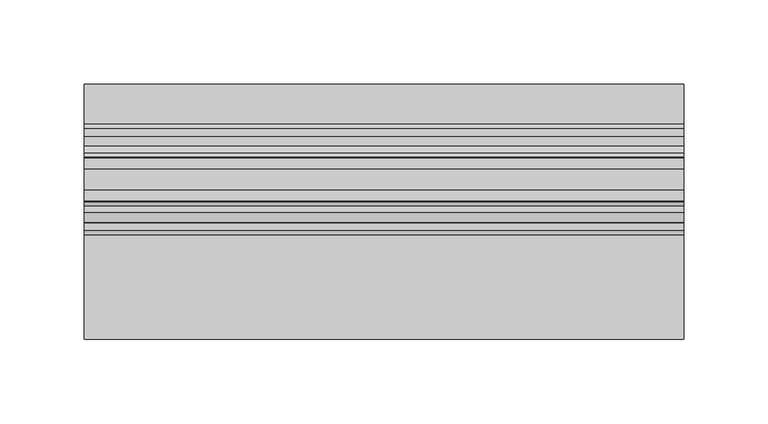
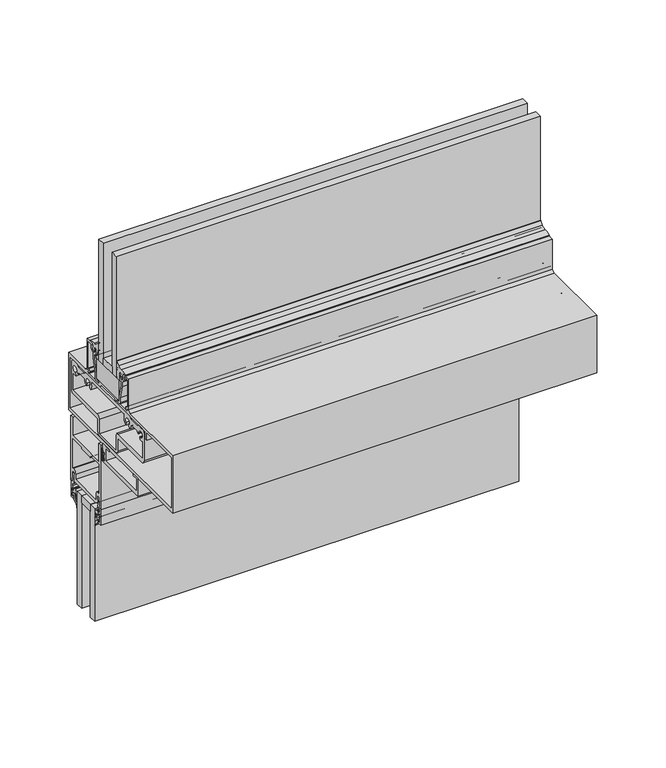
"""IFC4 building model written with IfcOpenShell, lengths in millimetres: plate geometry."""

from ifc_helpers import new_model, si_unit, point, frame, frame_2d, origin, place, context, project, spatial, polyline, circle_curve, trimmed, segment, composite_curve, outline, extrude, source, transform, mapped, element, save


def plate_338a5351(model_context):
    return source(origin(), model_context, "Body", "SweptSolid", [
        extrude(outline(polyline([(-177.8, -19.05), (-177.8, -6.35), (177.8, -6.35), (177.8, -19.05), (-177.8, -19.05)])), frame((0.0, 0.0, 228.2472153), z_axis=(0.0, 0.0, 1.0), x_axis=(1.0, 0.0, 0.0)), (0.0, 0.0, 1.0), 6.35),
        extrude(outline(polyline([(-28.55976, 352.0722153), (-60.42152, 352.0722153), (-60.30976, 369.5347153), (-28.55976, 369.5347153), (-28.55976, 352.0722153)])), frame((-177.8, 0.0, 0.0), z_axis=(1.0, 0.0, 0.0), x_axis=(0.0, 1.0, 0.0)), (0.0, 0.0, 1.0), 355.6),
        extrude(outline(composite_curve([segment(polyline([(-34.9514484, 293.1066499), (-34.9514484, 285.1817967)]), True, "CONTINUOUS"), segment(trimmed(circle_curve(frame_2d((-36.1452484, 285.1817967)), 1.1938), [point((-34.9514484, 285.1817967))], [point((-37.3390484, 285.1817967))], False, "CARTESIAN"), True, "CONTINUOUS"), segment(polyline([(-37.3390484, 285.1817967), (-37.3390484, 287.1879153), (-38.31675, 287.1879153), (-38.31675, 285.7147153), (-39.2186484, 285.7147153), (-39.2186484, 287.5689153), (-37.7962484, 287.5689153), (-37.7962484, 290.7185153), (-39.2186484, 290.7185153), (-39.2186484, 292.5727153), (-38.31675, 292.5727153), (-38.31675, 291.0995153), (-37.3390484, 291.0995153), (-37.3390484, 293.1066499)]), True, "CONTINUOUS"), segment(trimmed(circle_curve(frame_2d((-36.1452484, 293.1066499)), 1.1938), [point((-37.3390484, 293.1066499))], [point((-34.9514484, 293.1066499))], False, "CARTESIAN"), True, "CONTINUOUS")], self_intersect=False), holes=[composite_curve([segment(trimmed(circle_curve(frame_2d((-36.1452484, 293.1066499)), 0.6858), [point((-35.4594484, 293.1066499))], [point((-36.8310484, 293.1066499))], True, "CARTESIAN"), True, "CONTINUOUS"), segment(polyline([(-36.8310484, 293.1066499), (-36.8310484, 285.1817967)]), True, "CONTINUOUS"), segment(trimmed(circle_curve(frame_2d((-36.1452484, 285.1817967)), 0.6858), [point((-36.8310484, 285.1817967))], [point((-35.4594484, 285.1817967))], True, "CARTESIAN"), True, "CONTINUOUS"), segment(polyline([(-35.4594484, 285.1817967), (-35.4594484, 293.1066499)]), True, "CONTINUOUS")], self_intersect=False)]), frame((-177.8, 0.0, 0.0), z_axis=(1.0, 0.0, 0.0), x_axis=(0.0, 1.0, 0.0)), (0.0, 0.0, 1.0), 355.6),
        extrude(outline(polyline([(-177.8, -50.78476), (-177.8, -38.08476), (177.8, -38.08476), (177.8, -50.78476), (-177.8, -50.78476)])), frame((0.0, 0.0, 369.5347153), z_axis=(0.0, 0.0, 1.0), x_axis=(1.0, 0.0, 0.0)), (0.0, 0.0, 1.0), 6.35),
        extrude(outline(polyline([(-177.8, -38.08476), (-177.8, -31.73476), (177.8, -31.73476), (177.8, -38.08476), (-177.8, -38.08476)])), frame((0.0, 0.0, 369.5347153), z_axis=(0.0, 0.0, 1.0), x_axis=(1.0, 0.0, 0.0)), (0.0, 0.0, 1.0), 107.95),
        extrude(outline(polyline([(-177.8, -57.13476), (-177.8, -50.78476), (177.8, -50.78476), (177.8, -57.13476), (-177.8, -57.13476)])), frame((0.0, 0.0, 369.5347153), z_axis=(0.0, 0.0, 1.0), x_axis=(1.0, 0.0, 0.0)), (0.0, 0.0, 1.0), 107.95),
        extrude(outline(composite_curve([segment(trimmed(circle_curve(frame_2d((-26.53284, 376.8225309)), 0.508), [point((-27.04084, 376.8225309))], [point((-26.53284, 377.3305309))], False, "CARTESIAN"), True, "CONTINUOUS"), segment(polyline([(-26.53284, 377.3305309), (-25.28824, 377.3305309), (-25.28824, 376.5177309), (-26.0744494, 376.5177309), (-26.0744494, 375.7170136), (-25.366918, 372.4938153), (-23.89124, 372.4938153), (-22.01164, 374.3663756), (-22.01164, 376.4562153), (-22.9245776, 376.4562153), (-22.0094079, 379.0597153), (-14.34084, 379.0597153), (-14.34084, 352.0737406), (-16.8499731, 352.0737406), (-16.0527957, 350.6967979), (-16.7337794, 350.0158142)]), True, "CONTINUOUS"), segment(trimmed(circle_curve(frame_2d((-17.0908829, 350.3771189)), 0.508), [point((-16.7337794, 350.0158142))], [point((-17.5681526, 350.2031143))], False, "CARTESIAN"), True, "CONTINUOUS"), segment(polyline([(-17.5681526, 350.2031143), (-18.0039712, 351.3985022)]), True, "CONTINUOUS"), segment(trimmed(circle_curve(frame_2d((-16.6437524, 351.8944153)), 1.4478), [point((-18.0039712, 351.3985022))], [point((-16.6437524, 353.3422153))], False, "CARTESIAN"), True, "CONTINUOUS"), segment(polyline([(-16.6437524, 353.3422153), (-15.61084, 353.3422153), (-15.61084, 377.7897153), (-20.10664, 377.7897153)]), True, "CONTINUOUS"), segment(trimmed(circle_curve(frame_2d((-20.10664, 377.1547153)), 0.635), [point((-20.10664, 377.7897153))], [point((-20.74164, 377.1547153))], True, "CARTESIAN"), True, "CONTINUOUS"), segment(polyline([(-20.74164, 377.1547153), (-20.74164, 374.6354421)]), True, "CONTINUOUS"), segment(trimmed(circle_curve(frame_2d((-22.64664, 374.6354421)), 1.905), [point((-20.74164, 374.6354421))], [point((-21.2996016, 373.2884037))], False, "CARTESIAN"), True, "CONTINUOUS"), segment(polyline([(-21.2996016, 373.2884037), (-23.2309035, 371.3571018), (-23.2309035, 367.2949535), (-26.4249535, 355.5538035), (-26.4249535, 350.8784153)]), True, "CONTINUOUS"), segment(trimmed(circle_curve(frame_2d((-27.6949535, 350.8784153)), 1.27), [point((-26.4249535, 350.8784153))], [point((-27.6949535, 349.6084153))], False, "CARTESIAN"), True, "CONTINUOUS"), segment(polyline([(-27.6949535, 349.6084153), (-30.8636035, 349.6084153)]), True, "CONTINUOUS"), segment(trimmed(circle_curve(frame_2d((-30.8636035, 349.9894153)), 0.381), [point((-30.8636035, 349.6084153))], [point((-30.9828618, 350.3512695))], False, "CARTESIAN"), True, "CONTINUOUS"), segment(polyline([(-30.9828618, 350.3512695), (-27.6949535, 351.2340153), (-27.6949535, 355.7234653), (-24.5009035, 367.4646153), (-24.5009035, 371.4754927), (-26.07564, 371.4754927), (-26.07564, 370.6650153)]), True, "CONTINUOUS"), segment(trimmed(circle_curve(frame_2d((-26.07564, 371.6302153)), 0.9652), [point((-26.07564, 370.6650153))], [point((-27.04084, 371.6302153))], False, "CARTESIAN"), True, "CONTINUOUS"), segment(polyline([(-27.04084, 371.6302153), (-27.04084, 376.8225309)]), True, "CONTINUOUS")], self_intersect=False)), frame((-177.8, 0.0, 0.0), z_axis=(1.0, 0.0, 0.0), x_axis=(0.0, 1.0, 0.0)), (0.0, 0.0, 1.0), 355.6),
        extrude(outline(composite_curve([segment(polyline([(-61.8998, 376.8225309), (-61.8998, 371.6302153)]), True, "CONTINUOUS"), segment(trimmed(circle_curve(frame_2d((-62.865, 371.6302153)), 0.9652), [point((-61.8998, 371.6302153))], [point((-62.865, 370.6650153))], False, "CARTESIAN"), True, "CONTINUOUS"), segment(polyline([(-62.865, 370.6650153), (-62.865, 371.4754927), (-64.4397365, 371.4754927), (-64.4397365, 367.4646153), (-61.2456865, 355.7234653), (-61.2456865, 351.2340153), (-57.9577782, 350.3512695)]), True, "CONTINUOUS"), segment(trimmed(circle_curve(frame_2d((-58.0770365, 349.9894153)), 0.381), [point((-57.9577782, 350.3512695))], [point((-58.0770365, 349.6084153))], False, "CARTESIAN"), True, "CONTINUOUS"), segment(polyline([(-58.0770365, 349.6084153), (-61.2456865, 349.6084153)]), True, "CONTINUOUS"), segment(trimmed(circle_curve(frame_2d((-61.2456865, 350.8784153)), 1.27), [point((-61.2456865, 349.6084153))], [point((-62.5156865, 350.8784153))], False, "CARTESIAN"), True, "CONTINUOUS"), segment(polyline([(-62.5156865, 350.8784153), (-62.5156865, 355.5538035), (-65.7097365, 367.2949535), (-65.7097365, 371.3571018), (-67.6410384, 373.2884037)]), True, "CONTINUOUS"), segment(trimmed(circle_curve(frame_2d((-66.294, 374.6354421)), 1.905), [point((-67.6410384, 373.2884037))], [point((-68.199, 374.6354421))], False, "CARTESIAN"), True, "CONTINUOUS"), segment(polyline([(-68.199, 374.6354421), (-68.199, 377.1547153)]), True, "CONTINUOUS"), segment(trimmed(circle_curve(frame_2d((-68.834, 377.1547153)), 0.635), [point((-68.199, 377.1547153))], [point((-68.834, 377.7897153))], True, "CARTESIAN"), True, "CONTINUOUS"), segment(polyline([(-68.834, 377.7897153), (-73.3298, 377.7897153), (-73.3298, 353.3422153), (-72.2968876, 353.3422153)]), True, "CONTINUOUS"), segment(trimmed(circle_curve(frame_2d((-72.2968876, 351.8944153)), 1.4478), [point((-72.2968876, 353.3422153))], [point((-70.9366688, 351.3985022))], False, "CARTESIAN"), True, "CONTINUOUS"), segment(polyline([(-70.9366688, 351.3985022), (-71.3724874, 350.2031143)]), True, "CONTINUOUS"), segment(trimmed(circle_curve(frame_2d((-71.8497571, 350.3771189)), 0.508), [point((-71.3724874, 350.2031143))], [point((-72.2068606, 350.0158142))], False, "CARTESIAN"), True, "CONTINUOUS"), segment(polyline([(-72.2068606, 350.0158142), (-72.8878443, 350.6967979), (-72.0906669, 352.0737406), (-74.5998, 352.0737406), (-74.5998, 379.0597153), (-66.9312321, 379.0597153), (-66.0160624, 376.4562153), (-66.929, 376.4562153), (-66.929, 374.3663756), (-65.0494, 372.4938153), (-63.573722, 372.4938153), (-62.8661906, 375.7170136), (-62.8661906, 376.5177309), (-63.6524, 376.5177309), (-63.6524, 377.3305309), (-62.4078, 377.3305309)]), True, "CONTINUOUS"), segment(trimmed(circle_curve(frame_2d((-62.4078, 376.8225309)), 0.508), [point((-62.4078, 377.3305309))], [point((-61.8998, 376.8225309))], False, "CARTESIAN"), True, "CONTINUOUS")], self_intersect=False)), frame((-177.8, 0.0, 0.0), z_axis=(1.0, 0.0, 0.0), x_axis=(0.0, 1.0, 0.0)), (0.0, 0.0, 1.0), 355.6),
        extrude(outline(composite_curve([segment(trimmed(circle_curve(frame_2d((-41.3231693, 374.5867579)), 11.8511576), [point((-29.7708477, 377.2313378))], [point((-30.3269833, 379.0064672))], True, "CARTESIAN"), True, "CONTINUOUS"), segment(polyline([(-30.3269833, 379.0064672), (-31.3049643, 380.528582)]), True, "CONTINUOUS"), segment(trimmed(circle_curve(frame_2d((-29.6975601, 381.7608857)), 2.0254186), [point((-31.3049643, 380.528582))], [point((-31.7203248, 381.6572349))], False, "CARTESIAN"), True, "CONTINUOUS"), segment(polyline([(-31.7203248, 381.6572349), (-31.7604501, 384.9398531)]), True, "CONTINUOUS"), segment(trimmed(circle_curve(frame_2d((-31.3635751, 384.9398531)), 0.396875), [point((-31.7604501, 384.9398531))], [point((-31.1017191, 385.2380832))], False, "CARTESIAN"), True, "CONTINUOUS"), segment(polyline([(-31.1017191, 385.2380832), (-28.6746142, 382.4201915)]), True, "CONTINUOUS"), segment(trimmed(circle_curve(frame_2d((-25.3990316, 385.8820309)), 4.765897), [point((-28.6746142, 382.4201915))], [point((-24.773541, 381.1573579))], True, "CARTESIAN"), True, "CONTINUOUS"), segment(trimmed(circle_curve(frame_2d((-24.3996105, 368.9668204)), 12.196271), [point((-24.773541, 381.1573579))], [point((-18.8809594, 379.8431028))], False, "CARTESIAN"), True, "CONTINUOUS"), segment(polyline([(-18.8809594, 379.8431028), (-18.6246596, 379.0554604), (-20.5437533, 379.1311821), (-22.168156, 379.0012681), (-23.0295405, 376.2948547), (-22.2436855, 376.1701754), (-23.1142597, 375.1755258), (-22.3637178, 374.9366468), (-23.8643895, 373.1755062), (-25.4974971, 374.6122187), (-24.7156286, 375.1533533), (-25.5440369, 376.0998275), (-24.5686701, 376.2217125), (-25.1259663, 377.5835919), (-26.988974, 377.5835919), (-26.988974, 375.1527405)]), True, "CONTINUOUS"), segment(trimmed(circle_curve(frame_2d((-44.4519506, 376.4603355)), 17.5118633), [point((-26.988974, 375.1527405))], [point((-28.0362785, 370.3618876))], False, "CARTESIAN"), True, "CONTINUOUS"), segment(trimmed(circle_curve(frame_2d((-29.3394094, 370.8573418)), 1.3941395), [point((-28.0362785, 370.3618876))], [point((-30.6425403, 370.3618876))], False, "CARTESIAN"), True, "CONTINUOUS"), segment(trimmed(circle_curve(frame_2d((-12.6037128, 376.9366907)), 19.1996701), [point((-30.6425403, 370.3618876))], [point((-31.7203248, 375.1527405))], False, "CARTESIAN"), True, "CONTINUOUS"), segment(polyline([(-31.7203248, 375.1527405), (-31.7203248, 378.5625793)]), True, "CONTINUOUS"), segment(trimmed(circle_curve(frame_2d((-31.3978395, 378.5509624)), 0.3226944), [point((-31.7203248, 378.5625793))], [point((-31.0890698, 378.4571917))], False, "CARTESIAN"), True, "CONTINUOUS"), segment(polyline([(-31.0890698, 378.4571917), (-30.0112297, 374.4176171)]), True, "CONTINUOUS"), segment(trimmed(circle_curve(frame_2d((-29.7171669, 374.5499125)), 0.3224516), [point((-30.0112297, 374.4176171))], [point((-29.3978944, 374.5950802))], True, "CARTESIAN"), True, "CONTINUOUS"), segment(polyline([(-29.3978944, 374.5950802), (-29.7708477, 377.2313378)]), True, "CONTINUOUS")], self_intersect=False)), frame((-177.8, 0.0, 0.0), z_axis=(1.0, 0.0, 0.0), x_axis=(0.0, 1.0, 0.0)), (0.0, 0.0, 1.0), 355.6),
        extrude(outline(composite_curve([segment(polyline([(-59.1575003, 377.2313378), (-59.5304536, 374.5950802)]), True, "CONTINUOUS"), segment(trimmed(circle_curve(frame_2d((-59.2111811, 374.5499125)), 0.3224516), [point((-59.5304536, 374.5950802))], [point((-58.9171182, 374.4176171))], True, "CARTESIAN"), True, "CONTINUOUS"), segment(polyline([(-58.9171182, 374.4176171), (-57.8392782, 378.4571917)]), True, "CONTINUOUS"), segment(trimmed(circle_curve(frame_2d((-57.5305084, 378.5509624)), 0.3226944), [point((-57.8392782, 378.4571917))], [point((-57.2080232, 378.5625793))], False, "CARTESIAN"), True, "CONTINUOUS"), segment(polyline([(-57.2080232, 378.5625793), (-57.2080232, 375.1527405)]), True, "CONTINUOUS"), segment(trimmed(circle_curve(frame_2d((-76.3246351, 376.9366907)), 19.1996701), [point((-57.2080232, 375.1527405))], [point((-58.2858077, 370.3618876))], False, "CARTESIAN"), True, "CONTINUOUS"), segment(trimmed(circle_curve(frame_2d((-59.5889386, 370.8573418)), 1.3941395), [point((-58.2858077, 370.3618876))], [point((-60.8920694, 370.3618876))], False, "CARTESIAN"), True, "CONTINUOUS"), segment(trimmed(circle_curve(frame_2d((-44.4763974, 376.4603355)), 17.5118633), [point((-60.8920694, 370.3618876))], [point((-61.939374, 375.1527405))], False, "CARTESIAN"), True, "CONTINUOUS"), segment(polyline([(-61.939374, 375.1527405), (-61.939374, 377.5835919), (-63.8023816, 377.5835919), (-64.3596778, 376.2217125), (-63.3843111, 376.0998275), (-64.2127194, 375.1533533), (-63.4308508, 374.6122187), (-65.0639585, 373.1755062), (-66.5646302, 374.9366468), (-65.8140882, 375.1755258), (-66.6846624, 376.1701754), (-65.8988075, 376.2948547), (-66.760192, 379.0012681), (-68.3845946, 379.1311821), (-70.3036883, 379.0554604), (-70.0473886, 379.8431028)]), True, "CONTINUOUS"), segment(trimmed(circle_curve(frame_2d((-64.5287375, 368.9668204)), 12.196271), [point((-70.0473886, 379.8431028))], [point((-64.154807, 381.1573579))], False, "CARTESIAN"), True, "CONTINUOUS"), segment(trimmed(circle_curve(frame_2d((-63.5293164, 385.8820309)), 4.765897), [point((-64.154807, 381.1573579))], [point((-60.2537337, 382.4201915))], True, "CARTESIAN"), True, "CONTINUOUS"), segment(polyline([(-60.2537337, 382.4201915), (-57.8266289, 385.2380832)]), True, "CONTINUOUS"), segment(trimmed(circle_curve(frame_2d((-57.5647728, 384.9398531)), 0.396875), [point((-57.8266289, 385.2380832))], [point((-57.1678978, 384.9398531))], False, "CARTESIAN"), True, "CONTINUOUS"), segment(polyline([(-57.1678978, 384.9398531), (-57.2080232, 381.6572349)]), True, "CONTINUOUS"), segment(trimmed(circle_curve(frame_2d((-59.2307879, 381.7608857)), 2.0254186), [point((-57.2080232, 381.6572349))], [point((-57.6233837, 380.528582))], False, "CARTESIAN"), True, "CONTINUOUS"), segment(polyline([(-57.6233837, 380.528582), (-58.6013647, 379.0064672)]), True, "CONTINUOUS"), segment(trimmed(circle_curve(frame_2d((-47.6051787, 374.5867579)), 11.8511576), [point((-58.6013647, 379.0064672))], [point((-59.1575003, 377.2313378))], True, "CARTESIAN"), True, "CONTINUOUS")], self_intersect=False)), frame((-177.8, 0.0, 0.0), z_axis=(1.0, 0.0, 0.0), x_axis=(0.0, 1.0, 0.0)), (0.0, 0.0, 1.0), 355.6),
        extrude(outline(polyline([(-177.8, -6.35), (-177.8, 0.0), (177.8, 0.0), (177.8, -6.35), (-177.8, -6.35)])), frame((0.0, 0.0, 134.5847153), z_axis=(0.0, 0.0, 1.0), x_axis=(1.0, 0.0, 0.0)), (0.0, 0.0, 1.0), 100.0125),
        extrude(outline(polyline([(-177.8, -25.4), (-177.8, -19.05), (177.8, -19.05), (177.8, -25.4), (-177.8, -25.4)])), frame((0.0, 0.0, 134.5847153), z_axis=(0.0, 0.0, 1.0), x_axis=(1.0, 0.0, 0.0)), (0.0, 0.0, 1.0), 100.0125),
        extrude(outline(composite_curve([segment(polyline([(1.2146236, 224.1668549), (3.6195019, 226.441875), (3.6195019, 229.8085062)]), True, "CONTINUOUS"), segment(trimmed(circle_curve(frame_2d((3.9370017, 230.1634821)), 0.47625), [point((3.6195019, 229.8085062))], [point((3.619501, 230.5184573))], True, "CARTESIAN"), True, "CONTINUOUS"), segment(polyline([(3.619501, 230.5184573), (3.619501, 232.1014932)]), True, "CONTINUOUS"), segment(trimmed(circle_curve(frame_2d((3.1116463, 230.6961156)), 1.4943235), [point((3.619501, 232.1014932))], [point((1.6174209, 230.7132378))], True, "CARTESIAN"), True, "CONTINUOUS"), segment(polyline([(1.6174209, 230.7132378), (0.5798898, 227.3784529)]), True, "CONTINUOUS"), segment(trimmed(circle_curve(frame_2d((0.2963183, 227.4666787)), 0.2969791), [point((0.5798898, 227.3784529))], [point((0.0, 227.4468787))], False, "CARTESIAN"), True, "CONTINUOUS"), segment(polyline([(0.0, 227.4468787), (0.0, 231.4945487)]), True, "CONTINUOUS"), segment(trimmed(circle_curve(frame_2d((2.8819649, 231.6470304)), 2.8859959), [point((0.0, 231.4945487))], [point((2.7993723, 234.5318442))], False, "CARTESIAN"), True, "CONTINUOUS"), segment(polyline([(2.7993723, 234.5318442), (3.619501, 234.5553246), (4.7625003, 234.5553246), (4.7625003, 231.6366833), (6.1341013, 231.6366833), (6.1341013, 232.9495122)]), True, "CONTINUOUS"), segment(trimmed(circle_curve(frame_2d((6.4896997, 233.2368817)), 0.4571996), [point((6.1341013, 232.9495122))], [point((6.9468994, 233.2368817))], False, "CARTESIAN"), True, "CONTINUOUS"), segment(polyline([(6.9468994, 233.2368817), (6.9468994, 231.1690889)]), True, "CONTINUOUS"), segment(trimmed(circle_curve(frame_2d((6.4706494, 231.1186463)), 0.4789139), [point((6.9468994, 231.1690889))], [point((6.4706494, 230.6397324))], False, "CARTESIAN"), True, "CONTINUOUS"), segment(trimmed(circle_curve(frame_2d((6.4706494, 230.1634824)), 0.47625), [point((6.4706494, 230.6397324))], [point((6.4706494, 229.6872324))], True, "CARTESIAN"), True, "CONTINUOUS"), segment(trimmed(circle_curve(frame_2d((6.3248962, 229.0825474)), 0.6220032), [point((6.4706494, 229.6872324))], [point((6.9468994, 229.0825474))], False, "CARTESIAN"), True, "CONTINUOUS"), segment(polyline([(6.9468994, 229.0825474), (6.9468994, 227.090083)]), True, "CONTINUOUS"), segment(trimmed(circle_curve(frame_2d((6.4896997, 227.090083)), 0.4571996), [point((6.9468994, 227.090083))], [point((6.134102, 227.3774534))], False, "CARTESIAN"), True, "CONTINUOUS"), segment(polyline([(6.134102, 227.3774534), (6.134102, 228.6902967), (4.7625003, 228.6902967), (4.7625003, 224.8186093), (1.4889495, 222.3173972)]), True, "CONTINUOUS"), segment(trimmed(circle_curve(frame_2d((3.0879023, 220.3444968)), 2.5394854), [point((1.4889495, 222.3173972))], [point((0.5496136, 220.2665423))], True, "CARTESIAN"), True, "CONTINUOUS"), segment(trimmed(circle_curve(frame_2d((0.2748716, 220.2581045)), 0.2748716), [point((0.5496136, 220.2665423))], [point((0.0, 220.2581045))], False, "CARTESIAN"), True, "CONTINUOUS"), segment(polyline([(0.0, 220.2581045), (0.0, 221.9713282)]), True, "CONTINUOUS"), segment(trimmed(circle_curve(frame_2d((3.0412561, 221.7225691)), 3.0514128), [point((0.0, 221.9713282))], [point((1.2146236, 224.1668549))], False, "CARTESIAN"), True, "CONTINUOUS")], self_intersect=False)), frame((-177.8, 0.0, 0.0), z_axis=(1.0, 0.0, 0.0), x_axis=(0.0, 1.0, 0.0)), (0.0, 0.0, 1.0), 355.6),
        extrude(outline(composite_curve([segment(trimmed(circle_curve(frame_2d((-28.4412561, 221.7225691)), 3.0514128), [point((-26.6146236, 224.1668549))], [point((-25.4, 221.9713282))], False, "CARTESIAN"), True, "CONTINUOUS"), segment(polyline([(-25.4, 221.9713282), (-25.4, 220.2581045)]), True, "CONTINUOUS"), segment(trimmed(circle_curve(frame_2d((-25.6748716, 220.2581045)), 0.2748716), [point((-25.4, 220.2581045))], [point((-25.9496136, 220.2665423))], False, "CARTESIAN"), True, "CONTINUOUS"), segment(trimmed(circle_curve(frame_2d((-28.4879023, 220.3444968)), 2.5394854), [point((-25.9496136, 220.2665423))], [point((-26.8889495, 222.3173972))], True, "CARTESIAN"), True, "CONTINUOUS"), segment(polyline([(-26.8889495, 222.3173972), (-30.1625003, 224.8186093), (-30.1625003, 228.6902967), (-31.534102, 228.6902967), (-31.534102, 227.3774534)]), True, "CONTINUOUS"), segment(trimmed(circle_curve(frame_2d((-31.8896997, 227.090083)), 0.4571996), [point((-31.534102, 227.3774534))], [point((-32.3468994, 227.090083))], False, "CARTESIAN"), True, "CONTINUOUS"), segment(polyline([(-32.3468994, 227.090083), (-32.3468994, 229.0825474)]), True, "CONTINUOUS"), segment(trimmed(circle_curve(frame_2d((-31.7248962, 229.0825474)), 0.6220032), [point((-32.3468994, 229.0825474))], [point((-31.8706494, 229.6872324))], False, "CARTESIAN"), True, "CONTINUOUS"), segment(trimmed(circle_curve(frame_2d((-31.8706494, 230.1634824)), 0.47625), [point((-31.8706494, 229.6872324))], [point((-31.8706494, 230.6397324))], True, "CARTESIAN"), True, "CONTINUOUS"), segment(trimmed(circle_curve(frame_2d((-31.8706494, 231.1186463)), 0.4789139), [point((-31.8706494, 230.6397324))], [point((-32.3468994, 231.1690889))], False, "CARTESIAN"), True, "CONTINUOUS"), segment(polyline([(-32.3468994, 231.1690889), (-32.3468994, 233.2368817)]), True, "CONTINUOUS"), segment(trimmed(circle_curve(frame_2d((-31.8896997, 233.2368817)), 0.4571996), [point((-32.3468994, 233.2368817))], [point((-31.5341013, 232.9495122))], False, "CARTESIAN"), True, "CONTINUOUS"), segment(polyline([(-31.5341013, 232.9495122), (-31.5341013, 231.6366833), (-30.1625, 231.6366833), (-30.1625, 234.5553246), (-29.019501, 234.5553246), (-28.1993723, 234.5318442)]), True, "CONTINUOUS"), segment(trimmed(circle_curve(frame_2d((-28.2819649, 231.6470304)), 2.8859959), [point((-28.1993723, 234.5318442))], [point((-25.4, 231.4945487))], False, "CARTESIAN"), True, "CONTINUOUS"), segment(polyline([(-25.4, 231.4945487), (-25.4, 227.4468787)]), True, "CONTINUOUS"), segment(trimmed(circle_curve(frame_2d((-25.6963183, 227.4666787)), 0.2969791), [point((-25.4, 227.4468787))], [point((-25.9798898, 227.3784529))], False, "CARTESIAN"), True, "CONTINUOUS"), segment(polyline([(-25.9798898, 227.3784529), (-27.0174209, 230.7132378)]), True, "CONTINUOUS"), segment(trimmed(circle_curve(frame_2d((-28.5116463, 230.6961156)), 1.4943235), [point((-27.0174209, 230.7132378))], [point((-29.019501, 232.1014932))], True, "CARTESIAN"), True, "CONTINUOUS"), segment(polyline([(-29.019501, 232.1014932), (-29.019501, 230.5184573)]), True, "CONTINUOUS"), segment(trimmed(circle_curve(frame_2d((-29.3370017, 230.1634821)), 0.47625), [point((-29.019501, 230.5184573))], [point((-29.0195019, 229.8085062))], True, "CARTESIAN"), True, "CONTINUOUS"), segment(polyline([(-29.0195019, 229.8085062), (-29.0195019, 226.441875), (-26.6146236, 224.1668549)]), True, "CONTINUOUS")], self_intersect=False)), frame((-177.8, 0.0, 0.0), z_axis=(1.0, 0.0, 0.0), x_axis=(0.0, 1.0, 0.0)), (0.0, 0.0, 1.0), 355.6),
        extrude(outline(composite_curve([segment(polyline([(-34.1276564, 225.054114), (-34.0673249, 239.3189972), (-31.6471876, 239.3189972), (-31.6471876, 240.9511946), (-32.4372227, 240.8401624), (-31.0981976, 248.2731186), (-29.8175355, 248.149978), (-30.9128526, 242.0698506)]), True, "CONTINUOUS"), segment(trimmed(circle_curve(frame_2d((-31.7464064, 240.8551464)), 1.4732), [point((-30.9128526, 242.0698506))], [point((-30.2732064, 240.8551464))], False, "CARTESIAN"), True, "CONTINUOUS"), segment(polyline([(-30.2732064, 240.8551464), (-30.2732064, 239.341614)]), True, "CONTINUOUS"), segment(trimmed(circle_curve(frame_2d((-31.7464064, 239.341614)), 1.4732), [point((-30.2732064, 239.341614))], [point((-31.7464064, 237.868414))], False, "CARTESIAN"), True, "CONTINUOUS"), segment(polyline([(-31.7464064, 237.868414), (-32.6544564, 237.868414), (-32.6544564, 235.087114), (-30.1589064, 235.087114), (-30.1589064, 233.067814)]), True, "CONTINUOUS"), segment(trimmed(circle_curve(frame_2d((-30.9717064, 233.067814)), 0.8128), [point((-30.1589064, 233.067814))], [point((-31.1749064, 232.2808238))], False, "CARTESIAN"), True, "CONTINUOUS"), segment(polyline([(-31.1749064, 232.2808238), (-31.1749064, 233.817114), (-32.5401564, 233.817114), (-32.5401564, 226.324114), (-31.1749064, 226.324114), (-31.1749064, 227.8858042)]), True, "CONTINUOUS"), segment(trimmed(circle_curve(frame_2d((-30.9717064, 227.098814)), 0.8128), [point((-31.1749064, 227.8858042))], [point((-30.1589064, 227.098814))], False, "CARTESIAN"), True, "CONTINUOUS"), segment(polyline([(-30.1589064, 227.098814), (-30.2859064, 225.054114), (-34.1276564, 225.054114)]), True, "CONTINUOUS")], self_intersect=False)), frame((-177.8, 0.0, 0.0), z_axis=(1.0, 0.0, 0.0), x_axis=(0.0, 1.0, 0.0)), (0.0, 0.0, 1.0), 355.6),
        extrude(outline(composite_curve([segment(polyline([(8.7276564, 225.054114), (4.8859064, 225.054114), (4.7589064, 227.098814)]), True, "CONTINUOUS"), segment(trimmed(circle_curve(frame_2d((5.5717064, 227.098814)), 0.8128), [point((4.7589064, 227.098814))], [point((5.7749064, 227.8858042))], False, "CARTESIAN"), True, "CONTINUOUS"), segment(polyline([(5.7749064, 227.8858042), (5.7749064, 226.324114), (7.1401564, 226.324114), (7.1401564, 233.817114), (5.7749064, 233.817114), (5.7749064, 232.2808238)]), True, "CONTINUOUS"), segment(trimmed(circle_curve(frame_2d((5.5717064, 233.067814)), 0.8128), [point((5.7749064, 232.2808238))], [point((4.7589064, 233.067814))], False, "CARTESIAN"), True, "CONTINUOUS"), segment(polyline([(4.7589064, 233.067814), (4.7589064, 235.087114), (7.2544564, 235.087114), (7.2544564, 237.868414), (6.3464064, 237.868414)]), True, "CONTINUOUS"), segment(trimmed(circle_curve(frame_2d((6.3464064, 239.341614)), 1.4732), [point((6.3464064, 237.868414))], [point((4.8732064, 239.341614))], False, "CARTESIAN"), True, "CONTINUOUS"), segment(polyline([(4.8732064, 239.341614), (4.8732064, 240.8551464)]), True, "CONTINUOUS"), segment(trimmed(circle_curve(frame_2d((6.3464064, 240.8551464)), 1.4732), [point((4.8732064, 240.8551464))], [point((5.5128526, 242.0698506))], False, "CARTESIAN"), True, "CONTINUOUS"), segment(polyline([(5.5128526, 242.0698506), (4.4175355, 248.149978), (5.6981976, 248.2731186), (7.0372227, 240.8401624), (6.2471876, 240.9511946), (6.2471876, 239.3189972), (8.6673249, 239.3189972), (8.7276564, 225.054114)]), True, "CONTINUOUS")], self_intersect=False)), frame((-177.8, 0.0, 0.0), z_axis=(1.0, 0.0, 0.0), x_axis=(0.0, 1.0, 0.0)), (0.0, 0.0, 1.0), 355.6),
        extrude(outline(composite_curve([segment(trimmed(circle_curve(frame_2d((-37.73499, 291.8615153)), 0.4318), [point((-37.30319, 291.8615153))], [point((-38.1346289, 292.0250391))], False, "CARTESIAN"), True, "CONTINUOUS"), segment(trimmed(circle_curve(frame_2d((-38.7116898, 292.2611602)), 0.6235002), [point((-38.1346289, 292.0250391))], [point((-39.33519, 292.2611602))], True, "CARTESIAN"), True, "CONTINUOUS"), segment(polyline([(-39.33519, 292.2611602), (-39.33519, 285.9687153)]), True, "CONTINUOUS"), segment(trimmed(circle_curve(frame_2d((-38.7222466, 286.0627884)), 0.6201205), [point((-39.33519, 285.9687153))], [point((-38.1402463, 286.2768563))], True, "CARTESIAN"), True, "CONTINUOUS"), segment(trimmed(circle_curve(frame_2d((-37.73499, 286.4259153)), 0.4318), [point((-38.1402463, 286.2768563))], [point((-37.30319, 286.4259153))], False, "CARTESIAN"), True, "CONTINUOUS"), segment(polyline([(-37.30319, 286.4259153), (-37.30319, 284.5971153)]), True, "CONTINUOUS"), segment(trimmed(circle_curve(frame_2d((-38.09059, 284.5971153)), 0.7874), [point((-37.30319, 284.5971153))], [point((-38.09059, 283.8097153))], False, "CARTESIAN"), True, "CONTINUOUS"), segment(polyline([(-38.09059, 283.8097153), (-88.1032275, 283.8097153), (-88.1032275, 299.6847153), (-81.7532275, 299.5739713), (-81.7532275, 298.1099153), (-86.5284275, 298.1099153), (-86.5284275, 286.9847153), (-41.5196275, 286.9847153), (-41.5196275, 298.1099153), (-46.8282275, 298.1099153), (-46.8282275, 299.5183453), (-37.30319, 299.6847153), (-37.30319, 291.8615153)]), True, "CONTINUOUS")], self_intersect=False)), frame((-177.8, 0.0, 0.0), z_axis=(1.0, 0.0, 0.0), x_axis=(0.0, 1.0, 0.0)), (0.0, 0.0, 1.0), 355.6),
        extrude(outline(composite_curve([segment(polyline([(6.35, 280.6347153), (6.35, 296.5097153), (9.1948, 296.5097153), (9.1948, 239.3153905), (6.35, 239.3153905), (6.35, 240.5853905), (7.1627949, 240.5853905), (6.7499992, 248.8149905), (4.3688, 248.8149905), (4.3688, 242.4840685)]), True, "CONTINUOUS"), segment(trimmed(circle_curve(frame_2d((2.794, 242.4840685)), 1.5748), [point((4.3688, 242.4840685))], [point((2.794, 240.9092685))], False, "CARTESIAN"), True, "CONTINUOUS"), segment(polyline([(2.794, 240.9092685), (-26.5938, 240.9092685)]), True, "CONTINUOUS"), segment(trimmed(circle_curve(frame_2d((-26.5938, 244.0843681)), 3.1750996), [point((-26.5938, 240.9092685))], [point((-29.7688, 244.1095153))], False, "CARTESIAN"), True, "CONTINUOUS"), segment(polyline([(-29.7688, 244.1095153), (-29.7688, 248.8466153), (-32.15005, 248.8466153), (-32.5628, 240.6170153), (-31.75, 240.6170153), (-31.75, 239.3470153), (-34.5948, 239.3470153), (-34.5948, 296.4970153), (-31.75, 296.4970153), (-31.75, 280.6347153), (6.35, 280.6347153)]), True, "CONTINUOUS")], self_intersect=False), holes=[composite_curve([segment(polyline([(6.0198, 252.0216153), (6.0198, 277.4470153), (-4.7625, 277.4470153)]), True, "CONTINUOUS"), segment(trimmed(circle_curve(frame_2d((-4.7625, 275.8595153)), 1.5875), [point((-4.7625, 277.4470153))], [point((-6.35, 275.8595153))], True, "CARTESIAN"), True, "CONTINUOUS"), segment(polyline([(-6.35, 275.8595153), (-19.05, 275.8595153)]), True, "CONTINUOUS"), segment(trimmed(circle_curve(frame_2d((-20.6375, 275.8595153)), 1.5875), [point((-19.05, 275.8595153))], [point((-20.6375, 277.4470153))], True, "CARTESIAN"), True, "CONTINUOUS"), segment(polyline([(-20.6375, 277.4470153), (-31.4198, 277.4470153), (-31.4198, 252.0216153), (-30.1752, 252.0216153)]), True, "CONTINUOUS"), segment(trimmed(circle_curve(frame_2d((-30.1752, 248.8466153)), 3.175), [point((-30.1752, 252.0216153))], [point((-27.0002, 248.8466153))], False, "CARTESIAN"), True, "CONTINUOUS"), segment(polyline([(-27.0002, 248.8466153), (-27.0002, 244.1095153), (1.6002, 244.1095153), (1.6002, 248.8466153)]), True, "CONTINUOUS"), segment(trimmed(circle_curve(frame_2d((4.7752, 248.8466153)), 3.175), [point((1.6002, 248.8466153))], [point((4.7752, 252.0216153))], False, "CARTESIAN"), True, "CONTINUOUS"), segment(polyline([(4.7752, 252.0216153), (6.0198, 252.0216153)]), True, "CONTINUOUS")], self_intersect=False)]), frame((-177.8, 0.0, 0.0), z_axis=(1.0, 0.0, 0.0), x_axis=(0.0, 1.0, 0.0)), (0.0, 0.0, 1.0), 355.6),
        extrude(outline(composite_curve([segment(polyline([(-76.26604, 347.3097153), (-12.76604, 347.3097153), (-11.19124, 345.7349153), (-1.65354, 345.7349153), (-0.06604, 347.3097153), (5.01142, 347.3097153)]), True, "CONTINUOUS"), segment(trimmed(circle_curve(frame_2d((5.01142, 344.1347153)), 3.175), [point((5.01142, 347.3097153))], [point((8.18642, 344.1347153))], False, "CARTESIAN"), True, "CONTINUOUS"), segment(polyline([(8.18642, 344.1347153), (8.18642, 320.6651153)]), True, "CONTINUOUS"), segment(trimmed(circle_curve(frame_2d((5.01142, 320.6651153)), 3.175), [point((8.18642, 320.6651153))], [point((5.01142, 317.4901153))], False, "CARTESIAN"), True, "CONTINUOUS"), segment(polyline([(5.01142, 317.4901153), (-30.29204, 317.4901153), (-30.29204, 305.6537153)]), True, "CONTINUOUS"), segment(trimmed(circle_curve(frame_2d((-32.67964, 305.6537153)), 2.3876), [point((-30.29204, 305.6537153))], [point((-32.67964, 303.2661153))], False, "CARTESIAN"), True, "CONTINUOUS"), segment(polyline([(-32.67964, 303.2661153), (-56.35244, 303.2661153)]), True, "CONTINUOUS"), segment(trimmed(circle_curve(frame_2d((-56.35244, 305.6537153)), 2.3876), [point((-56.35244, 303.2661153))], [point((-58.74004, 305.6537153))], False, "CARTESIAN"), True, "CONTINUOUS"), segment(polyline([(-58.74004, 305.6537153), (-58.74004, 317.4901153), (-94.04858, 317.4901153)]), True, "CONTINUOUS"), segment(trimmed(circle_curve(frame_2d((-94.04858, 320.6651153)), 3.175), [point((-94.04858, 317.4901153))], [point((-97.22358, 320.6651153))], False, "CARTESIAN"), True, "CONTINUOUS"), segment(polyline([(-97.22358, 320.6651153), (-97.22358, 344.1347153)]), True, "CONTINUOUS"), segment(trimmed(circle_curve(frame_2d((-94.04858, 344.1347153)), 3.175), [point((-97.22358, 344.1347153))], [point((-94.04858, 347.3097153))], False, "CARTESIAN"), True, "CONTINUOUS"), segment(polyline([(-94.04858, 347.3097153), (-88.96604, 347.3097153), (-87.39124, 345.7349153), (-77.84084, 345.7349153), (-76.26604, 347.3097153)]), True, "CONTINUOUS")], self_intersect=False), holes=[composite_curve([segment(polyline([(-79.3455542, 340.6549153), (-86.4810901, 340.6549153)]), True, "CONTINUOUS"), segment(trimmed(circle_curve(frame_2d((-88.0261765, 340.9597153)), 1.5748635), [point((-86.4810901, 340.6549153))], [point((-89.60104, 340.9597153))], False, "CARTESIAN"), True, "CONTINUOUS"), segment(trimmed(circle_curve(frame_2d((-92.14104, 340.9597153)), 2.54), [point((-89.60104, 340.9597153))], [point((-92.14104, 338.4197153))], True, "CARTESIAN"), True, "CONTINUOUS"), segment(trimmed(circle_curve(frame_2d((-92.14104, 336.8448518)), 1.5748635), [point((-92.14104, 338.4197153))], [point((-92.14104, 335.2699883))], False, "CARTESIAN"), True, "CONTINUOUS"), segment(trimmed(circle_curve(frame_2d((-92.14104, 340.9597153)), 5.689727), [point((-92.14104, 335.2699883))], [point((-94.45498, 335.7617662))], False, "CARTESIAN"), True, "CONTINUOUS"), segment(polyline([(-94.45498, 335.7617662), (-94.45498, 321.4525153), (-59.52744, 321.4525153)]), True, "CONTINUOUS"), segment(trimmed(circle_curve(frame_2d((-59.52744, 318.2775153)), 3.175), [point((-59.52744, 321.4525153))], [point((-56.35244, 318.2775153))], False, "CARTESIAN"), True, "CONTINUOUS"), segment(polyline([(-56.35244, 318.2775153), (-56.35244, 305.6537153), (-32.67964, 305.6537153), (-32.67964, 318.2775153)]), True, "CONTINUOUS"), segment(trimmed(circle_curve(frame_2d((-29.50464, 318.2775153)), 3.175), [point((-32.67964, 318.2775153))], [point((-29.50464, 321.4525153))], False, "CARTESIAN"), True, "CONTINUOUS"), segment(polyline([(-29.50464, 321.4525153), (5.41782, 321.4525153), (5.41782, 335.7617662)]), True, "CONTINUOUS"), segment(trimmed(circle_curve(frame_2d((3.10388, 340.9597153)), 5.689727), [point((5.41782, 335.7617662))], [point((3.10388, 335.2699883))], False, "CARTESIAN"), True, "CONTINUOUS"), segment(trimmed(circle_curve(frame_2d((3.10388, 336.8448518)), 1.5748635), [point((3.10388, 335.2699883))], [point((3.10388, 338.4197153))], False, "CARTESIAN"), True, "CONTINUOUS"), segment(trimmed(circle_curve(frame_2d((3.10388, 340.9597153)), 2.54), [point((3.10388, 338.4197153))], [point((0.56388, 340.9597153))], True, "CARTESIAN"), True, "CONTINUOUS"), segment(trimmed(circle_curve(frame_2d((-1.0109835, 340.9597153)), 1.5748635), [point((0.56388, 340.9597153))], [point((-2.5560699, 340.6549153))], False, "CARTESIAN"), True, "CONTINUOUS"), segment(polyline([(-2.5560699, 340.6549153), (-9.6916058, 340.6549153)]), True, "CONTINUOUS"), segment(trimmed(circle_curve(frame_2d((-9.6916058, 340.0199153)), 0.635), [point((-9.6916058, 340.6549153))], [point((-10.3195565, 340.1142708))], True, "CARTESIAN"), True, "CONTINUOUS"), segment(trimmed(circle_curve(frame_2d((-15.94612, 340.9597153)), 5.689727), [point((-10.3195565, 340.1142708))], [point((-11.9228755, 336.9364708))], False, "CARTESIAN"), True, "CONTINUOUS"), segment(trimmed(circle_curve(frame_2d((-13.0364721, 338.0500674)), 1.5748635), [point((-11.9228755, 336.9364708))], [point((-14.1500688, 339.1636641))], False, "CARTESIAN"), True, "CONTINUOUS"), segment(trimmed(circle_curve(frame_2d((-15.94612, 340.9597153)), 2.54), [point((-14.1500688, 339.1636641))], [point((-17.7421712, 339.1636641))], True, "CARTESIAN"), True, "CONTINUOUS"), segment(trimmed(circle_curve(frame_2d((-18.8557679, 338.0500674)), 1.5748635), [point((-17.7421712, 339.1636641))], [point((-19.9693645, 336.9364708))], False, "CARTESIAN"), True, "CONTINUOUS"), segment(trimmed(circle_curve(frame_2d((-15.94612, 340.9597153)), 5.689727), [point((-19.9693645, 336.9364708))], [point((-21.1568625, 343.2447002))], False, "CARTESIAN"), True, "CONTINUOUS"), segment(trimmed(circle_curve(frame_2d((-21.7384056, 343.4997152)), 0.635), [point((-21.1568625, 343.2447002))], [point((-21.7384038, 344.1347152))], True, "CARTESIAN"), True, "CONTINUOUS"), segment(polyline([(-21.7384038, 344.1347152), (-67.2988084, 344.1348424)]), True, "CONTINUOUS"), segment(trimmed(circle_curve(frame_2d((-67.2988102, 343.4998424)), 0.635), [point((-67.2988084, 344.1348424))], [point((-67.8803477, 343.2448147))], True, "CARTESIAN"), True, "CONTINUOUS"), segment(trimmed(circle_curve(frame_2d((-73.09104, 340.9597153)), 5.689727), [point((-67.8803477, 343.2448147))], [point((-69.0677955, 336.9364708))], False, "CARTESIAN"), True, "CONTINUOUS"), segment(trimmed(circle_curve(frame_2d((-70.1813921, 338.0500674)), 1.5748635), [point((-69.0677955, 336.9364708))], [point((-71.2949888, 339.1636641))], False, "CARTESIAN"), True, "CONTINUOUS"), segment(trimmed(circle_curve(frame_2d((-73.09104, 340.9597153)), 2.54), [point((-71.2949888, 339.1636641))], [point((-74.8870912, 339.1636641))], True, "CARTESIAN"), True, "CONTINUOUS"), segment(trimmed(circle_curve(frame_2d((-76.0006879, 338.0500674)), 1.5748635), [point((-74.8870912, 339.1636641))], [point((-77.1142845, 336.9364708))], False, "CARTESIAN"), True, "CONTINUOUS"), segment(trimmed(circle_curve(frame_2d((-73.09104, 340.9597153)), 5.689727), [point((-77.1142845, 336.9364708))], [point((-78.7176035, 340.1142708))], False, "CARTESIAN"), True, "CONTINUOUS"), segment(trimmed(circle_curve(frame_2d((-79.3455542, 340.0199153)), 0.635), [point((-78.7176035, 340.1142708))], [point((-79.3455542, 340.6549153))], True, "CARTESIAN"), True, "CONTINUOUS")], self_intersect=False)]), frame((-177.8, 0.0, 0.0), z_axis=(1.0, 0.0, 0.0), x_axis=(0.0, 1.0, 0.0)), (0.0, 0.0, 1.0), 355.6),
        extrude(outline(composite_curve([segment(polyline([(-14.2748, 352.0722153), (-11.5189, 350.4847153), (12.08532, 350.4847153), (12.08532, 299.6847153), (-139.0904, 299.6847153), (-139.0904, 350.4847153), (-77.3557, 350.4847153), (-74.5998, 352.0722153), (-72.0895141, 352.0722153), (-73.5020928, 349.6084153), (-57.9994457, 349.6084153)]), True, "CONTINUOUS"), segment(trimmed(circle_curve(frame_2d((-57.9852556, 350.0604677)), 0.4522751), [point((-57.9994457, 349.6084153))], [point((-57.8285179, 350.4847153))], True, "CARTESIAN"), True, "CONTINUOUS"), segment(polyline([(-57.8285179, 350.4847153), (-60.5166277, 351.4778336)]), True, "CONTINUOUS"), segment(trimmed(circle_curve(frame_2d((-60.42152, 351.7674153)), 0.3048), [point((-60.5166277, 351.4778336))], [point((-60.42152, 352.0722153))], False, "CARTESIAN"), True, "CONTINUOUS"), segment(polyline([(-60.42152, 352.0722153), (-28.448, 352.0722153)]), True, "CONTINUOUS"), segment(trimmed(circle_curve(frame_2d((-28.448, 351.7674153)), 0.3048), [point((-28.448, 352.0722153))], [point((-28.3533114, 351.4776963))], False, "CARTESIAN"), True, "CONTINUOUS"), segment(polyline([(-28.3533114, 351.4776963), (-31.0410021, 350.4847153)]), True, "CONTINUOUS"), segment(trimmed(circle_curve(frame_2d((-30.8843014, 350.0605753)), 0.4521613), [point((-31.0410021, 350.4847153))], [point((-30.8831877, 349.6084153))], True, "CARTESIAN"), True, "CONTINUOUS"), segment(polyline([(-30.8831877, 349.6084153), (-15.3586792, 349.6084153), (-16.7807382, 352.0722153), (-14.2748, 352.0722153)]), True, "CONTINUOUS")], self_intersect=False), holes=[polyline([(-136.7028, 302.8597153), (9.69772, 302.8597153), (9.69772, 347.3097153), (-32.84728, 347.3097153), (-35.32378, 349.7862153), (-53.5813, 349.7862153), (-56.0578, 347.3097153), (-98.6028, 347.3097153), (-98.6028, 340.9597153), (-100.9904, 340.9597153), (-100.9904, 347.3097153), (-136.7028, 347.3097153), (-136.7028, 302.8597153)])]), frame((-177.8, 0.0, 0.0), z_axis=(1.0, 0.0, 0.0), x_axis=(0.0, 1.0, 0.0)), (0.0, 0.0, 1.0), 355.6),
    ])


if __name__ == "__main__":
    model = new_model("IFC4")
    model_context = context("Model", 3, world=origin())
    ifc_project = project(units=[si_unit("LENGTHUNIT", "METRE", prefix="MILLI")], contexts=[model_context])
    site = spatial("IfcSite", under=ifc_project)
    building = spatial("IfcBuilding", under=site)
    placement = place(None, origin())
    plate_shape = plate_338a5351(model_context)
    element("IfcPlate", 1, at=placement, inside=building, context=model_context, shape_type="MappedRepresentation", body=[
        mapped(plate_shape, transform((0.0, 0.0, 0.0), x_axis=(1.0, 0.0, 0.0), y_axis=(0.0, 1.0, 0.0), z_axis=(0.0, 0.0, 1.0))),
    ])
    save(model, "model.ifc")
